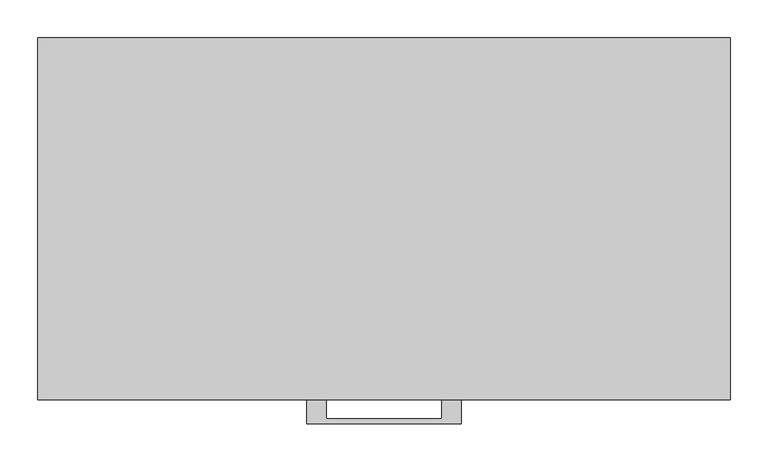
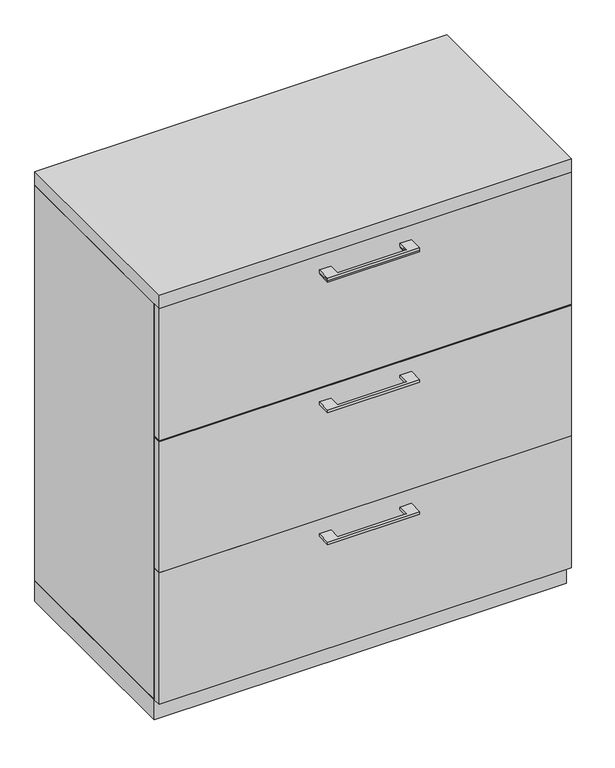
"""IFC4 building model written with IfcOpenShell, lengths in millimetres: furniture geometry."""

from ifc_helpers import new_model, si_unit, frame, origin, origin_with_axes, place, context, project, spatial, polyline, outline, extrude, source, transform, mapped, element, save


def furniture_dfc4d4ca(model_context):
    return source(origin(), model_context, "Body", "SweptSolid", [
        extrude(outline(polyline([(-76.1999818, -476.25), (-76.1999818, -501.6499758), (76.2, -501.6499758), (76.2, -476.25), (101.5999939, -476.25), (101.5999939, -507.9999879), (-101.5999939, -507.9999879), (-101.5999939, -476.25), (-76.1999818, -476.25)])), frame((0.0, 0.0, 931.8625506), z_axis=(0.0, 0.0, 1.0), x_axis=(1.0, 0.0, 0.0)), (0.0, 0.0, 1.0), 6.3499758),
        extrude(outline(polyline([(455.6125, -457.2), (455.6125, -476.25), (-455.6125, -476.25), (-455.6125, -457.2), (455.6125, -457.2)])), frame((0.0, 0.0, 663.575), z_axis=(0.0, 0.0, 1.0), x_axis=(1.0, 0.0, 0.0)), (0.0, 0.0, 1.0), 307.975),
        extrude(outline(polyline([(-76.1999818, -476.25), (-76.1999818, -501.6499758), (76.2, -501.6499758), (76.2, -476.25), (101.5999939, -476.25), (101.5999939, -507.9999879), (-101.5999939, -507.9999879), (-101.5999939, -476.25), (-76.1999818, -476.25)])), frame((0.0, 0.0, 929.3225506), z_axis=(0.0, 0.0, 1.0), x_axis=(1.0, 0.0, 0.0)), (0.0, 0.0, 1.0), 6.3499758),
        extrude(outline(polyline([(455.6125, -457.2), (455.6125, -476.25), (-455.6125, -476.25), (-455.6125, -457.2), (455.6125, -457.2)])), frame((0.0, 0.0, 661.035), z_axis=(0.0, 0.0, 1.0), x_axis=(1.0, 0.0, 0.0)), (0.0, 0.0, 1.0), 307.975),
        extrude(outline(polyline([(-76.1999818, -476.25), (-76.1999818, -501.6499758), (76.2, -501.6499758), (76.2, -476.25), (101.5999939, -476.25), (101.5999939, -507.9999879), (-101.5999939, -507.9999879), (-101.5999939, -476.25), (-76.1999818, -476.25)])), frame((0.0, 0.0, 623.8875506), z_axis=(0.0, 0.0, 1.0), x_axis=(1.0, 0.0, 0.0)), (0.0, 0.0, 1.0), 6.3499758),
        extrude(outline(polyline([(455.6125, -457.2), (455.6125, -476.25), (-455.6125, -476.25), (-455.6125, -457.2), (455.6125, -457.2)])), frame((0.0, 0.0, 355.6), z_axis=(0.0, 0.0, 1.0), x_axis=(1.0, 0.0, 0.0)), (0.0, 0.0, 1.0), 307.975),
        extrude(outline(polyline([(-76.1999818, -476.25), (-76.1999818, -501.6499758), (76.2, -501.6499758), (76.2, -476.25), (101.5999939, -476.25), (101.5999939, -507.9999879), (-101.5999939, -507.9999879), (-101.5999939, -476.25), (-76.1999818, -476.25)])), frame((0.0, 0.0, 315.9125506), z_axis=(0.0, 0.0, 1.0), x_axis=(1.0, 0.0, 0.0)), (0.0, 0.0, 1.0), 6.3499758),
        extrude(outline(polyline([(455.6125, -457.2), (455.6125, -476.25), (-455.6125, -476.25), (-455.6125, -457.2), (455.6125, -457.2)])), frame((0.0, 0.0, 47.625), z_axis=(0.0, 0.0, 1.0), x_axis=(1.0, 0.0, 0.0)), (0.0, 0.0, 1.0), 307.975),
        extrude(outline(polyline([(455.6125, 0.0), (455.6125, -457.2), (-455.6125, -457.2), (-455.6125, 0.0), (455.6125, 0.0)])), origin_with_axes(), (0.0, 0.0, 1.0), 47.625),
        extrude(outline(polyline([(455.6125, 0.0), (455.6125, -476.25), (-455.6125, -476.25), (-455.6125, 0.0), (455.6125, 0.0)])), frame((0.0, 0.0, 971.55), z_axis=(0.0, 0.0, 1.0), x_axis=(1.0, 0.0, 0.0)), (0.0, 0.0, 1.0), 31.75),
        extrude(outline(polyline([(455.6125, 0.0), (455.6125, -457.2), (436.5625, -457.2), (436.5625, -19.05), (-436.5625, -19.05), (-436.5625, -457.2), (-455.6125, -457.2), (-455.6125, 0.0), (455.6125, 0.0)])), frame((0.0, 0.0, 47.625), z_axis=(0.0, 0.0, 1.0), x_axis=(1.0, 0.0, 0.0)), (0.0, 0.0, 1.0), 923.925),
    ])


if __name__ == "__main__":
    model = new_model("IFC4")
    model_context = context("Model", 3, world=origin())
    ifc_project = project(units=[si_unit("LENGTHUNIT", "METRE", prefix="MILLI")], contexts=[model_context])
    site = spatial("IfcSite", under=ifc_project)
    building = spatial("IfcBuilding", under=site)
    placement = place(None, origin())
    furniture_shape = furniture_dfc4d4ca(model_context)
    element("IfcFurniture", 1, at=placement, inside=building, context=model_context, shape_type="MappedRepresentation", body=[
        mapped(furniture_shape, transform((0.0, 0.0, 0.0), x_axis=(1.0, 0.0, 0.0), y_axis=(0.0, 1.0, 0.0), z_axis=(0.0, 0.0, 1.0))),
    ])
    save(model, "model.ifc")
